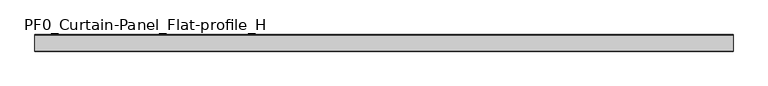
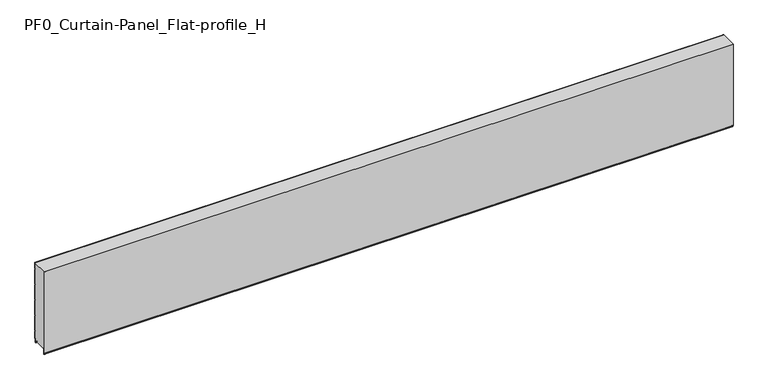
"""IFC4 building model written with IfcOpenShell, lengths in millimetres: plate geometry, PF0_Curtain-Panel_Flat-profile_H."""

from ifc_helpers import new_model, si_unit, point, frame, frame_2d, origin, place, context, project, spatial, polyline, circle_curve, trimmed, segment, composite_curve, outline, extrude, source, transform, mapped, element, save


def pf0_curtain_panel_flat_profile_h_0089388f(model_context):
    return source(origin(), model_context, "Body", "SweptSolid", [
        extrude(outline(composite_curve([segment(polyline([(-15.878557, 0.0), (-20.0, 0.0), (-20.0, 0.8), (-15.878557, 0.8)]), True, "CONTINUOUS"), segment(trimmed(circle_curve(frame_2d((-15.878557, -2.0)), 2.8), [point((-15.878557, 0.8))], [point((-13.1503208, -1.370137))], False, "CARTESIAN"), True, "CONTINUOUS"), segment(polyline([(-13.1503208, -1.370137), (-11.728236, -7.529863)]), True, "CONTINUOUS"), segment(trimmed(circle_curve(frame_2d((-9.0, -6.9)), 2.8), [point((-11.728236, -7.529863))], [point((-6.2, -6.9))], True, "CARTESIAN"), True, "CONTINUOUS"), segment(polyline([(-6.2, -6.9), (-6.2, 8.6)]), True, "CONTINUOUS"), segment(trimmed(circle_curve(frame_2d((-3.4, 8.6)), 2.8), [point((-6.2, 8.6))], [point((-3.4, 11.4))], False, "CARTESIAN"), True, "CONTINUOUS"), segment(polyline([(-3.4, 11.4), (-2.0, 11.4)]), True, "CONTINUOUS"), segment(trimmed(circle_curve(frame_2d((-2.0, 12.6)), 1.2), [point((-2.0, 11.4))], [point((-0.8, 12.6))], True, "CARTESIAN"), True, "CONTINUOUS"), segment(polyline([(-0.8, 12.6), (-0.8, 57.6856412), (-2.482606, 60.6), (-0.8, 63.5143588), (-0.8, 157.6856412), (-2.482606, 160.6), (-0.8, 163.5143588), (-0.8, 257.6856412), (-2.482606, 260.6), (-0.8, 263.5143588), (-0.8, 357.6856412), (-2.482606, 360.6), (-0.8, 363.5143588), (-0.8, 457.6856412), (-2.482606, 460.6), (-0.8, 463.5143588), (-0.8, 500.0), (0.0, 500.0), (0.0, 463.2999995), (-1.5588455, 460.6), (0.0, 457.9000005), (0.0, 363.2999995), (-1.5588455, 360.6), (0.0, 357.9000005), (0.0, 263.2999995), (-1.5588455, 260.6), (0.0, 257.9000005), (0.0, 163.2999995), (-1.5588455, 160.6), (0.0, 157.9000005), (0.0, 63.2999995), (-1.5588455, 60.6), (0.0, 57.9000005), (0.0, 12.6)]), True, "CONTINUOUS"), segment(trimmed(circle_curve(frame_2d((-2.0, 12.6)), 2.0), [point((0.0, 12.6))], [point((-2.0, 10.6))], False, "CARTESIAN"), True, "CONTINUOUS"), segment(polyline([(-2.0, 10.6), (-3.4, 10.6)]), True, "CONTINUOUS"), segment(trimmed(circle_curve(frame_2d((-3.4, 8.6)), 2.0), [point((-3.4, 10.6))], [point((-5.4, 8.6))], True, "CARTESIAN"), True, "CONTINUOUS"), segment(polyline([(-5.4, 8.6), (-5.4, -6.9)]), True, "CONTINUOUS"), segment(trimmed(circle_curve(frame_2d((-9.0, -6.9)), 3.6), [point((-5.4, -6.9))], [point((-12.5077322, -7.7098239))], False, "CARTESIAN"), True, "CONTINUOUS"), segment(polyline([(-12.5077322, -7.7098239), (-13.929817, -1.5500979)]), True, "CONTINUOUS"), segment(trimmed(circle_curve(frame_2d((-15.878557, -2.0)), 2.0), [point((-13.929817, -1.5500979))], [point((-15.878557, 0.0))], True, "CARTESIAN"), True, "CONTINUOUS")], self_intersect=False)), frame((-2100.0, 0.0, 0.0), z_axis=(1.0, 0.0, 0.0), x_axis=(0.0, 1.0, 0.0)), (0.0, 0.0, 1.0), 4200.0),
        extrude(outline(composite_curve([segment(polyline([(-90.0, 0.8), (-93.5, 0.8)]), True, "CONTINUOUS"), segment(trimmed(circle_curve(frame_2d((-93.5, -2.0)), 2.8), [point((-93.5, 0.8))], [point((-96.3, -2.0))], True, "CARTESIAN"), True, "CONTINUOUS"), segment(polyline([(-96.3, -2.0), (-96.3, -32.8700312)]), True, "CONTINUOUS"), segment(trimmed(circle_curve(frame_2d((-96.6, -32.8700312)), 0.3), [point((-96.3, -32.8700312))], [point((-96.9, -32.8700312))], False, "CARTESIAN"), True, "CONTINUOUS"), segment(polyline([(-96.9, -32.8700312), (-96.9, -26.9)]), True, "CONTINUOUS"), segment(trimmed(circle_curve(frame_2d((-98.6133333, -26.9)), 1.7133333), [point((-96.9, -26.9))], [point((-98.4, -25.2))], True, "CARTESIAN"), True, "CONTINUOUS"), segment(trimmed(circle_curve(frame_2d((-98.4, -24.4)), 0.8), [point((-98.4, -25.2))], [point((-99.2, -24.4))], False, "CARTESIAN"), True, "CONTINUOUS"), segment(polyline([(-99.2, -24.4), (-99.2, 500.0), (-0.8, 500.0), (-0.8, 463.5143588), (-2.482606, 460.6), (-0.8, 457.6856412), (-0.8, 363.5143588), (-2.482606, 360.6), (-0.8, 357.6856412), (-0.8, 263.5143588), (-2.482606, 260.6), (-0.8, 257.6856412), (-0.8, 163.5143588), (-2.482606, 160.6), (-0.8, 157.6856412), (-0.8, 63.5143588), (-2.482606, 60.6), (-0.8, 57.6856412), (-0.8, 12.6)]), True, "CONTINUOUS"), segment(trimmed(circle_curve(frame_2d((-2.0, 12.6)), 1.2), [point((-0.8, 12.6))], [point((-2.0, 11.4))], False, "CARTESIAN"), True, "CONTINUOUS"), segment(polyline([(-2.0, 11.4), (-3.4, 11.4)]), True, "CONTINUOUS"), segment(trimmed(circle_curve(frame_2d((-3.4, 8.6)), 2.8), [point((-3.4, 11.4))], [point((-6.2, 8.6))], True, "CARTESIAN"), True, "CONTINUOUS"), segment(polyline([(-6.2, 8.6), (-6.2, -6.9)]), True, "CONTINUOUS"), segment(trimmed(circle_curve(frame_2d((-9.0, -6.9)), 2.8), [point((-6.2, -6.9))], [point((-11.7282362, -7.529863))], False, "CARTESIAN"), True, "CONTINUOUS"), segment(polyline([(-11.7282362, -7.529863), (-13.1503208, -1.370137)]), True, "CONTINUOUS"), segment(trimmed(circle_curve(frame_2d((-15.878557, -2.0)), 2.8), [point((-13.1503208, -1.370137))], [point((-15.878557, 0.8))], True, "CARTESIAN"), True, "CONTINUOUS"), segment(polyline([(-15.878557, 0.8), (-20.0, 0.8), (-20.0, 0.0), (-90.0, 0.0), (-90.0, 0.8)]), True, "CONTINUOUS")], self_intersect=False)), frame((-2100.0, 0.0, 0.0), z_axis=(1.0, 0.0, 0.0), x_axis=(0.0, 1.0, 0.0)), (0.0, 0.0, 1.0), 4200.0),
        extrude(outline(composite_curve([segment(polyline([(-90.0, 0.0), (-93.5, 0.0)]), True, "CONTINUOUS"), segment(trimmed(circle_curve(frame_2d((-93.5, -2.0)), 2.0), [point((-93.5, 0.0))], [point((-95.5, -2.0))], True, "CARTESIAN"), True, "CONTINUOUS"), segment(polyline([(-95.5, -2.0), (-95.5, -33.0)]), True, "CONTINUOUS"), segment(trimmed(circle_curve(frame_2d((-96.5, -33.0)), 1.0), [point((-95.5, -33.0))], [point((-97.5, -33.0))], False, "CARTESIAN"), True, "CONTINUOUS"), segment(polyline([(-97.5, -33.0), (-97.5, -26.9)]), True, "CONTINUOUS"), segment(trimmed(circle_curve(frame_2d((-98.4, -26.9)), 0.9), [point((-97.5, -26.9))], [point((-98.4, -26.0))], True, "CARTESIAN"), True, "CONTINUOUS"), segment(trimmed(circle_curve(frame_2d((-98.4, -24.4)), 1.6), [point((-98.4, -26.0))], [point((-100.0, -24.4))], False, "CARTESIAN"), True, "CONTINUOUS"), segment(polyline([(-100.0, -24.4), (-100.0, 500.0), (-99.2, 500.0), (-99.2, -24.4)]), True, "CONTINUOUS"), segment(trimmed(circle_curve(frame_2d((-98.4, -24.4)), 0.8), [point((-99.2, -24.4))], [point((-98.4, -25.2))], True, "CARTESIAN"), True, "CONTINUOUS"), segment(trimmed(circle_curve(frame_2d((-98.6133333, -26.9)), 1.7133333), [point((-98.4, -25.2))], [point((-96.9, -26.9))], False, "CARTESIAN"), True, "CONTINUOUS"), segment(polyline([(-96.9, -26.9), (-96.9, -32.8700312)]), True, "CONTINUOUS"), segment(trimmed(circle_curve(frame_2d((-96.6, -32.8700312)), 0.3), [point((-96.9, -32.8700312))], [point((-96.3, -32.8700312))], True, "CARTESIAN"), True, "CONTINUOUS"), segment(polyline([(-96.3, -32.8700312), (-96.3, -2.0)]), True, "CONTINUOUS"), segment(trimmed(circle_curve(frame_2d((-93.5, -2.0)), 2.8), [point((-96.3, -2.0))], [point((-93.5, 0.8))], False, "CARTESIAN"), True, "CONTINUOUS"), segment(polyline([(-93.5, 0.8), (-90.0, 0.8), (-90.0, 0.0)]), True, "CONTINUOUS")], self_intersect=False)), frame((-2100.0, 0.0, 0.0), z_axis=(1.0, 0.0, 0.0), x_axis=(0.0, 1.0, 0.0)), (0.0, 0.0, 1.0), 4200.0),
    ])


if __name__ == "__main__":
    model = new_model("IFC4")
    model_context = context("Model", 3, world=origin())
    ifc_project = project(units=[si_unit("LENGTHUNIT", "METRE", prefix="MILLI")], contexts=[model_context])
    site = spatial("IfcSite", under=ifc_project)
    building = spatial("IfcBuilding", under=site)
    placement = place(None, origin())
    pf0_curtain_panel_flat_profile_h_shape = pf0_curtain_panel_flat_profile_h_0089388f(model_context)
    element("IfcPlate", 1, ObjectType="PF0_Curtain-Panel_Flat-profile_H", at=placement, inside=building, context=model_context, shape_type="MappedRepresentation", body=[
        mapped(pf0_curtain_panel_flat_profile_h_shape, transform((0.0, 0.0, 0.0), x_axis=(1.0, 0.0, 0.0), y_axis=(0.0, 1.0, 0.0), z_axis=(0.0, 0.0, 1.0))),
    ])
    save(model, "model.ifc")
